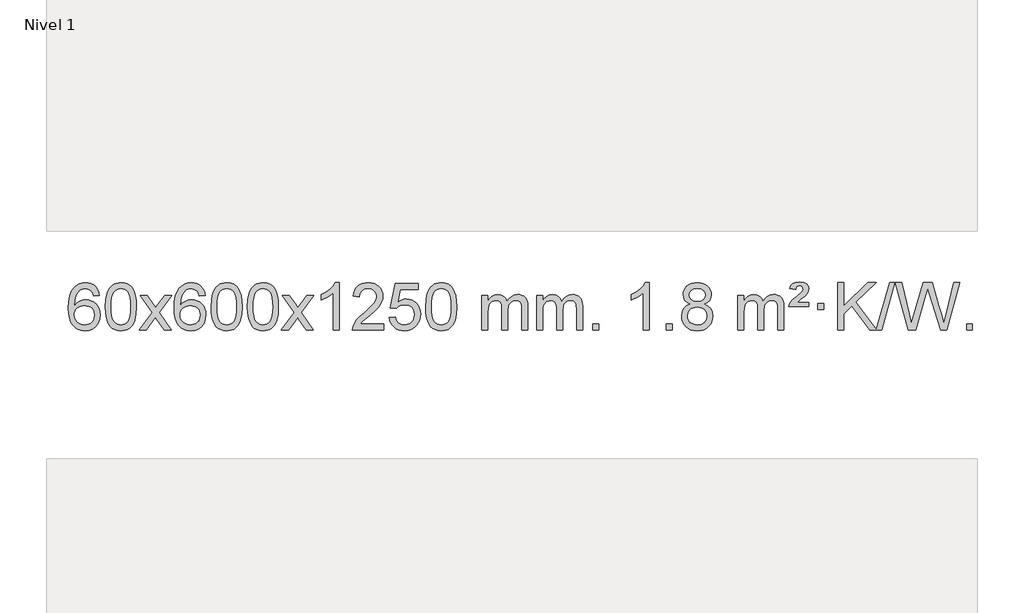
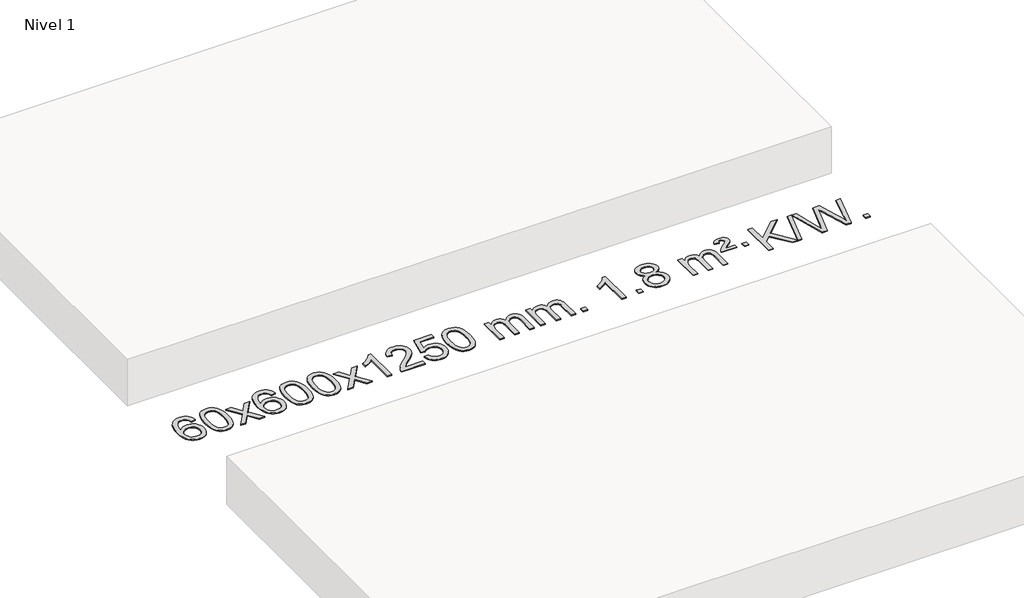
# One storey, part 7 of 7: 1 proxy.
"""IFC4 building model written with IfcOpenShell, lengths in millimetres."""

from ifc_helpers import new_model, si_unit, origin, origin_with_axes, place, context, project, spatial, polyline, outline, extrude, element, save

model = new_model("IFC4")

# Units and contexts
model_context = context("Model", 3, world=origin())
ifc_project = project(units=[si_unit("LENGTHUNIT", "METRE", prefix="MILLI")], contexts=[model_context])

# Site, building, storey
site = spatial("IfcSite", under=ifc_project)
building = spatial("IfcBuilding", under=site)
storey = spatial("IfcBuildingStorey", under=building, Name="Nivel 1", Elevation=0.0)

# Proxy
placement = place(None, origin())
element("IfcBuildingElementProxy", 1, Name="Texto de modelo 1", ObjectType="Texto de modelo 1", at=placement, inside=storey, context=model_context, shape_type="SweptSolid", body=[
    extrude(outline(polyline([(-12868.7310862, -289.5264458), (-12918.9592412, -295.8049652), (-12927.0526451, -270.9116168), (-12937.9910031, -253.9154687), (-12960.7751614, -238.2436957), (-12988.3172601, -233.0197713), (-13011.665504, -236.0609292), (-13033.6403219, -245.1844027), (-13052.5126682, -264.4001055), (-13067.9269238, -290.850821), (-13078.3379843, -328.2644199), (-13082.2007452, -380.3687731), (-13062.0530746, -356.8611137), (-13037.907753, -340.2941611), (-13011.113681, -330.4717119), (-12983.0197593, -327.1975621), (-12958.8867005, -329.4355109), (-12936.617577, -336.1493573), (-12916.212389, -347.3391013), (-12897.6711365, -363.004743), (-12882.2630122, -382.2143145), (-12871.2572092, -404.0358482), (-12864.6537274, -428.469344), (-12862.4525668, -455.514802), (-12866.5973706, -491.4813984), (-12879.031782, -524.8237699), (-12898.7257315, -553.1016326), (-12924.6491494, -573.8747026), (-12955.6248134, -586.6402078), (-12990.4755011, -590.8953763), (-13020.4180298, -588.0749476), (-13047.4604222, -579.6136617), (-13071.6026781, -565.5115186), (-13092.8447976, -545.7685182), (-13110.1628426, -519.5507947), (-13122.5328746, -486.0244822), (-13129.9548939, -445.1895807), (-13132.4289003, -397.0460903), (-13129.6820481, -343.0716702), (-13121.4414914, -297.006713), (-13107.7072302, -258.8512188), (-13088.4792646, -228.6051874), (-13067.6387496, -208.56175), (-13043.4750339, -194.2450091), (-13015.9881175, -185.6549645), (-12985.1780004, -182.7916163), (-12962.0443542, -184.5635812), (-12941.1057374, -189.879476), (-12922.3621497, -198.7393008), (-12905.8135913, -211.1430554), (-12891.9076519, -226.6738069), (-12881.0919212, -244.9146225), (-12873.3663993, -265.8655021), (-12868.7310862, -289.5264458)]), holes=[polyline([(-13082.2007452, -454.7299871), (-13079.2944775, -476.9868478), (-13070.5756742, -498.2381644), (-13057.0376168, -516.5096368), (-13039.6735866, -529.8269651), (-13018.7165756, -537.9571571), (-12994.3995757, -540.6672212), (-12961.253408, -535.0508894), (-12947.3382715, -528.0304746), (-12935.1951, -518.201894), (-12925.3450595, -505.9636863), (-12918.3093164, -491.7143904), (-12912.6807219, -457.1825337), (-12918.23574, -424.036366), (-12925.1795126, -410.4155351), (-12934.9007944, -398.7628729), (-12947.0807541, -389.4278673), (-12961.4005608, -382.7600061), (-12996.4597149, -377.4257172), (-13029.5568317, -382.7600061), (-13057.2338205, -398.7628729), (-13068.1568501, -410.2622509), (-13075.9590141, -423.4232293), (-13080.6403124, -438.245808), (-13082.2007452, -454.7299871)])]), origin_with_axes(), (0.0, 0.0, 1.0), 10.0),
    extrude(outline(polyline([(-12818.5029311, -386.9415981), (-12814.8118484, -322.6235626), (-12803.7386004, -271.3285498), (-12785.3935515, -232.2717446), (-12773.5354886, -217.0383643), (-12759.8870665, -204.6683323), (-12744.4023002, -195.097269), (-12727.0352044, -188.2607953), (-12686.654024, -182.7916163), (-12655.7028855, -186.0289778), (-12627.9891085, -195.7410625), (-12604.8125428, -211.5477256), (-12587.4730381, -233.0688223), (-12574.3764391, -260.1204117), (-12563.9285904, -292.5185527), (-12557.0859853, -333.6600225), (-12554.805117, -386.9415981), (-12558.4594114, -450.8917516), (-12569.4222949, -502.0641372), (-12587.6569791, -541.1577305), (-12599.487451, -556.437096), (-12613.1266759, -568.8715075), (-12628.6298363, -578.5069501), (-12646.0521145, -585.3894091), (-12686.654024, -590.8953763), (-12714.3187501, -588.5041433), (-12738.8442164, -581.3304444), (-12760.2304231, -569.3742795), (-12778.47737, -552.6356488), (-12795.988553, -522.3773547), (-12808.4965408, -484.6755815), (-12816.0013335, -439.5303293), (-12818.5029311, -386.9415981)]), holes=[polyline([(-12768.274776, -386.8434963), (-12766.803248, -430.5080234), (-12762.3886641, -465.8522861), (-12755.0310242, -492.8762843), (-12744.7303283, -511.5800181), (-12732.2713914, -524.3056694), (-12718.4390284, -533.3954204), (-12703.2332393, -538.849271), (-12686.654024, -540.6672212), (-12670.0748088, -538.8431396), (-12654.8690196, -533.3708949), (-12641.0366566, -524.2504871), (-12628.5777197, -511.4819162), (-12618.2770239, -492.7475256), (-12610.919384, -465.7296588), (-12606.5048, -430.4283156), (-12605.033272, -386.8434963), (-12606.4557491, -344.3347317), (-12610.7231802, -309.6128027), (-12617.8355655, -282.6777093), (-12627.7929048, -263.5294515), (-12640.0433752, -250.1814664), (-12654.0351538, -240.6471914), (-12669.7682404, -234.9266264), (-12687.2426352, -233.0197713), (-12703.7360113, -234.6997658), (-12718.6842831, -239.7397491), (-12732.0874504, -248.1397213), (-12743.9455134, -259.8996825), (-12754.5895658, -280.7463289), (-12762.1924604, -308.8525133), (-12766.7541971, -344.2182358), (-12768.274776, -386.8434963)])]), origin_with_axes(), (0.0, 0.0, 1.0), 10.0),
    extrude(outline(polyline([(-12529.6910394, -584.6168569), (-12422.3675987, -436.2868364), (-12523.41252, -289.5264458), (-12462.981771, -289.5264458), (-12414.2251439, -360.1597889), (-12391.4655111, -393.5144231), (-12371.7470362, -366.2421045), (-12316.2213804, -289.5264458), (-12255.7906313, -289.5264458), (-12361.9368496, -436.2868364), (-12259.7147059, -584.6168569), (-12320.145455, -584.6168569), (-12381.6553246, -495.4422612), (-12392.9370391, -479.1573516), (-12469.2602903, -584.6168569), (-12529.6910394, -584.6168569)])), origin_with_axes(), (0.0, 0.0, 1.0), 10.0),
    extrude(outline(polyline([(-11970.9028142, -289.5264458), (-12021.1309693, -295.8049652), (-12029.2243732, -270.9116168), (-12040.1627312, -253.9154687), (-12062.9468894, -238.2436957), (-12090.4889881, -233.0197713), (-12113.8372321, -236.0609292), (-12135.8120499, -245.1844027), (-12154.6843963, -264.4001055), (-12170.0986519, -290.850821), (-12180.5097123, -328.2644199), (-12184.3724733, -380.3687731), (-12164.2248027, -356.8611137), (-12140.0794811, -340.2941611), (-12113.2854091, -330.4717119), (-12085.1914874, -327.1975621), (-12061.0584285, -329.4355109), (-12038.7893051, -336.1493573), (-12018.3841171, -347.3391013), (-11999.8428645, -363.004743), (-11984.4347403, -382.2143145), (-11973.4289372, -404.0358482), (-11966.8254554, -428.469344), (-11964.6242948, -455.514802), (-11968.7690986, -491.4813984), (-11981.2035101, -524.8237699), (-12000.8974596, -553.1016326), (-12026.8208775, -573.8747026), (-12057.7965415, -586.6402078), (-12092.6472291, -590.8953763), (-12122.5897579, -588.0749476), (-12149.6321502, -579.6136617), (-12173.7744061, -565.5115186), (-12195.0165257, -545.7685182), (-12212.3345706, -519.5507947), (-12224.7046027, -486.0244822), (-12232.1266219, -445.1895807), (-12234.6006284, -397.0460903), (-12231.8537761, -343.0716702), (-12223.6132194, -297.006713), (-12209.8789583, -258.8512188), (-12190.6509927, -228.6051874), (-12169.8104776, -208.56175), (-12145.6467619, -194.2450091), (-12118.1598455, -185.6549645), (-12087.3497284, -182.7916163), (-12064.2160823, -184.5635812), (-12043.2774654, -189.879476), (-12024.5338777, -198.7393008), (-12007.9853193, -211.1430554), (-11994.0793799, -226.6738069), (-11983.2636492, -244.9146225), (-11975.5381274, -265.8655021), (-11970.9028142, -289.5264458)]), holes=[polyline([(-12184.3724733, -454.7299871), (-12181.4662055, -476.9868478), (-12172.7474022, -498.2381644), (-12159.2093448, -516.5096368), (-12141.8453146, -529.8269651), (-12120.8883036, -537.9571571), (-12096.5713038, -540.6672212), (-12063.425136, -535.0508894), (-12049.5099995, -528.0304746), (-12037.366828, -518.201894), (-12027.5167876, -505.9636863), (-12020.4810444, -491.7143904), (-12014.8524499, -457.1825337), (-12020.407468, -424.036366), (-12027.3512407, -410.4155351), (-12037.0725224, -398.7628729), (-12049.2524821, -389.4278673), (-12063.5722888, -382.7600061), (-12098.6314429, -377.4257172), (-12131.7285598, -382.7600061), (-12159.4055485, -398.7628729), (-12170.3285781, -410.2622509), (-12178.1307421, -423.4232293), (-12182.8120405, -438.245808), (-12184.3724733, -454.7299871)])]), origin_with_axes(), (0.0, 0.0, 1.0), 10.0),
    extrude(outline(polyline([(-11920.6746591, -386.9415981), (-11916.9835765, -322.6235626), (-11905.9103284, -271.3285498), (-11887.5652796, -232.2717446), (-11875.7072166, -217.0383643), (-11862.0587946, -204.6683323), (-11846.5740283, -195.097269), (-11829.2069324, -188.2607953), (-11788.8257521, -182.7916163), (-11757.8746135, -186.0289778), (-11730.1608366, -195.7410625), (-11706.9842709, -211.5477256), (-11689.6447662, -233.0688223), (-11676.5481671, -260.1204117), (-11666.1003185, -292.5185527), (-11659.2577134, -333.6600225), (-11656.976845, -386.9415981), (-11660.6311395, -450.8917516), (-11671.5940229, -502.0641372), (-11689.8287072, -541.1577305), (-11701.659179, -556.437096), (-11715.298404, -568.8715075), (-11730.8015644, -578.5069501), (-11748.2238425, -585.3894091), (-11788.8257521, -590.8953763), (-11816.4904781, -588.5041433), (-11841.0159444, -581.3304444), (-11862.4021511, -569.3742795), (-11880.6490981, -552.6356488), (-11898.160281, -522.3773547), (-11910.6682689, -484.6755815), (-11918.1730616, -439.5303293), (-11920.6746591, -386.9415981)]), holes=[polyline([(-11870.4465041, -386.8434963), (-11868.9749761, -430.5080234), (-11864.5603921, -465.8522861), (-11857.2027522, -492.8762843), (-11846.9020564, -511.5800181), (-11834.4431195, -524.3056694), (-11820.6107564, -533.3954204), (-11805.4049673, -538.849271), (-11788.8257521, -540.6672212), (-11772.2465368, -538.8431396), (-11757.0407477, -533.3708949), (-11743.2083847, -524.2504871), (-11730.7494478, -511.4819162), (-11720.4487519, -492.7475256), (-11713.091112, -465.7296588), (-11708.676528, -430.4283156), (-11707.2050001, -386.8434963), (-11708.6274771, -344.3347317), (-11712.8949083, -309.6128027), (-11720.0072935, -282.6777093), (-11729.9646328, -263.5294515), (-11742.2151033, -250.1814664), (-11756.2068818, -240.6471914), (-11771.9399685, -234.9266264), (-11789.4143633, -233.0197713), (-11805.9077394, -234.6997658), (-11820.8560111, -239.7397491), (-11834.2591785, -248.1397213), (-11846.1172414, -259.8996825), (-11856.7612938, -280.7463289), (-11864.3641884, -308.8525133), (-11868.9259251, -344.2182358), (-11870.4465041, -386.8434963)])]), origin_with_axes(), (0.0, 0.0, 1.0), 10.0),
    extrude(outline(polyline([(-11613.0272093, -386.9415981), (-11609.3361266, -322.6235626), (-11598.2628786, -271.3285498), (-11579.9178297, -232.2717446), (-11568.0597668, -217.0383643), (-11554.4113447, -204.6683323), (-11538.9265784, -195.097269), (-11521.5594826, -188.2607953), (-11481.1783022, -182.7916163), (-11450.2271637, -186.0289778), (-11422.5133867, -195.7410625), (-11399.336821, -211.5477256), (-11381.9973163, -233.0688223), (-11368.9007173, -260.1204117), (-11358.4528686, -292.5185527), (-11351.6102635, -333.6600225), (-11349.3293952, -386.9415981), (-11352.9836896, -450.8917516), (-11363.9465731, -502.0641372), (-11382.1812573, -541.1577305), (-11394.0117292, -556.437096), (-11407.6509541, -568.8715075), (-11423.1541145, -578.5069501), (-11440.5763927, -585.3894091), (-11481.1783022, -590.8953763), (-11508.8430283, -588.5041433), (-11533.3684946, -581.3304444), (-11554.7547013, -569.3742795), (-11573.0016482, -552.6356488), (-11590.5128312, -522.3773547), (-11603.020819, -484.6755815), (-11610.5256117, -439.5303293), (-11613.0272093, -386.9415981)]), holes=[polyline([(-11562.7990542, -386.8434963), (-11561.3275262, -430.5080234), (-11556.9129423, -465.8522861), (-11549.5553024, -492.8762843), (-11539.2546065, -511.5800181), (-11526.7956696, -524.3056694), (-11512.9633066, -533.3954204), (-11497.7575175, -538.849271), (-11481.1783022, -540.6672212), (-11464.599087, -538.8431396), (-11449.3932978, -533.3708949), (-11435.5609348, -524.2504871), (-11423.1019979, -511.4819162), (-11412.8013021, -492.7475256), (-11405.4436622, -465.7296588), (-11401.0290782, -430.4283156), (-11399.5575502, -386.8434963), (-11400.9800273, -344.3347317), (-11405.2474584, -309.6128027), (-11412.3598437, -282.6777093), (-11422.317183, -263.5294515), (-11434.5676534, -250.1814664), (-11448.559432, -240.6471914), (-11464.2925187, -234.9266264), (-11481.7669134, -233.0197713), (-11498.2602895, -234.6997658), (-11513.2085613, -239.7397491), (-11526.6117286, -248.1397213), (-11538.4697916, -259.8996825), (-11549.113844, -280.7463289), (-11556.7167386, -308.8525133), (-11561.2784753, -344.2182358), (-11562.7990542, -386.8434963)])]), origin_with_axes(), (0.0, 0.0, 1.0), 10.0),
    extrude(outline(polyline([(-11324.2153176, -584.6168569), (-11216.8918769, -436.2868364), (-11317.9367982, -289.5264458), (-11257.5060492, -289.5264458), (-11208.7494221, -360.1597889), (-11185.9897893, -393.5144231), (-11166.2713144, -366.2421045), (-11110.7456586, -289.5264458), (-11050.3149095, -289.5264458), (-11156.4611278, -436.2868364), (-11054.2389841, -584.6168569), (-11114.6697332, -584.6168569), (-11176.1796028, -495.4422612), (-11187.4613173, -479.1573516), (-11263.7845685, -584.6168569), (-11324.2153176, -584.6168569)])), origin_with_axes(), (0.0, 0.0, 1.0), 10.0),
    extrude(outline(polyline([(-10834.4908056, -584.6168569), (-10884.7189607, -584.6168569), (-10884.7189607, -271.4757026), (-10905.6882344, -288.4350626), (-10932.2983654, -305.3698971), (-10985.1752709, -330.7292293), (-10985.1752709, -283.2479264), (-10945.7260583, -261.7881434), (-10911.5498209, -236.2571329), (-10884.6085961, -209.1074417), (-10866.8644212, -182.7916163), (-10834.4908056, -182.7916163), (-10834.4908056, -584.6168569)])), origin_with_axes(), (0.0, 0.0, 1.0), 10.0),
    extrude(outline(polyline([(-10457.7796426, -534.3887018), (-10457.7796426, -584.6168569), (-10721.4774567, -584.6168569), (-10720.3738107, -566.9339956), (-10716.0818541, -549.9868984), (-10703.6964936, -522.9230463), (-10685.572174, -496.6685346), (-10659.3544505, -469.1877495), (-10622.6888783, -438.4450775), (-10568.4875977, -390.301587), (-10535.9668293, -354.7641863), (-10519.7064451, -325.9222379), (-10514.286317, -297.8651044), (-10519.3998768, -272.7142386), (-10534.740556, -251.8062786), (-10558.3217919, -237.7163982), (-10588.1570217, -233.0197713), (-10619.4883049, -237.6060336), (-10643.8298303, -251.3648202), (-10659.5383915, -273.2170107), (-10664.9707823, -302.0834846), (-10715.1989373, -295.8049652), (-10710.8793896, -269.8754159), (-10703.0220433, -247.2200164), (-10691.6268985, -227.8387666), (-10676.6939552, -211.7316666), (-10658.5665699, -199.0703946), (-10637.5880991, -190.0266288), (-10613.7585429, -184.6003694), (-10587.0779012, -182.7916163), (-10560.1581362, -184.8027045), (-10536.1998212, -190.8359692), (-10515.2029563, -200.8914104), (-10497.1675415, -214.9690281), (-10482.682188, -232.02649), (-10472.3355069, -251.0214636), (-10466.1274982, -271.9539492), (-10464.058162, -294.8239465), (-10466.2899794, -318.8466408), (-10472.9854317, -342.4524022), (-10484.8680202, -366.4628337), (-10502.661246, -391.6995386), (-10531.0249478, -421.829074), (-10574.6189643, -460.5179972), (-10632.400963, -508.8331659), (-10655.0624939, -534.3887018), (-10457.7796426, -534.3887018)])), origin_with_axes(), (0.0, 0.0, 1.0), 10.0),
    extrude(outline(polyline([(-10407.5514875, -477.8820273), (-10357.3233324, -471.603508), (-10348.1017571, -501.7575688), (-10332.0130512, -523.3522419), (-10309.1307911, -536.3384764), (-10279.5285532, -540.6672212), (-10260.3986894, -539.1619707), (-10243.5251686, -534.6462192), (-10228.9079907, -527.1199667), (-10216.5471556, -516.5832132), (-10206.718575, -503.5571249), (-10199.6981602, -488.5628679), (-10194.0818284, -452.6698479), (-10199.342541, -418.8737553), (-10205.9184316, -404.9555532), (-10215.1246786, -393.0239138), (-10226.9919386, -383.4528505), (-10241.5508686, -376.6163768), (-10278.7437383, -371.1471978), (-10303.1097891, -373.3299643), (-10322.8405268, -379.8782638), (-10338.5981389, -389.9091796), (-10351.044813, -402.5397947), (-10401.2729681, -396.2612753), (-10357.3233324, -189.0701357), (-10162.6892315, -189.0701357), (-10162.6892315, -239.2982907), (-10316.7091602, -239.2982907), (-10338.1934687, -349.9571949), (-10320.4676879, -337.2530033), (-10302.3127114, -328.1785808), (-10283.7285393, -322.7339272), (-10264.7151715, -320.9190427), (-10240.2540845, -323.1692543), (-10217.7856917, -329.9198889), (-10197.3099929, -341.1709466), (-10178.8269884, -356.9224273), (-10163.5261631, -376.2117066), (-10152.5970021, -398.0761598), (-10146.0395056, -422.5157871), (-10143.8536734, -449.5305882), (-10145.821842, -475.552108), (-10151.7263481, -499.7587433), (-10161.5671914, -522.1504941), (-10175.3443722, -542.7273604), (-10196.215544, -563.8008673), (-10220.5693321, -578.8533723), (-10248.4057364, -587.8848753), (-10279.7247569, -590.8953763), (-10305.6451092, -588.9609301), (-10329.0577325, -583.1575916), (-10349.9626268, -573.4853608), (-10368.3597923, -559.9442377), (-10383.666749, -543.2086726), (-10395.3010171, -523.9531159), (-10403.2625966, -502.1775674), (-10407.5514875, -477.8820273)])), origin_with_axes(), (0.0, 0.0, 1.0), 10.0),
    extrude(outline(polyline([(-10099.9040377, -386.9415981), (-10096.212955, -322.6235626), (-10085.1397069, -271.3285498), (-10066.7946581, -232.2717446), (-10054.9365951, -217.0383643), (-10041.2881731, -204.6683323), (-10025.8034068, -195.097269), (-10008.4363109, -188.2607953), (-9968.0551306, -182.7916163), (-9937.1039921, -186.0289778), (-9909.3902151, -195.7410625), (-9886.2136494, -211.5477256), (-9868.8741447, -233.0688223), (-9855.7775457, -260.1204117), (-9845.329697, -292.5185527), (-9838.4870919, -333.6600225), (-9836.2062235, -386.9415981), (-9839.860518, -450.8917516), (-9850.8234015, -502.0641372), (-9869.0580857, -541.1577305), (-9880.8885575, -556.437096), (-9894.5277825, -568.8715075), (-9910.0309429, -578.5069501), (-9927.4532211, -585.3894091), (-9968.0551306, -590.8953763), (-9995.7198566, -588.5041433), (-10020.245323, -581.3304444), (-10041.6315296, -569.3742795), (-10059.8784766, -552.6356488), (-10077.3896596, -522.3773547), (-10089.8976474, -484.6755815), (-10097.4024401, -439.5303293), (-10099.9040377, -386.9415981)]), holes=[polyline([(-10049.6758826, -386.8434963), (-10048.2043546, -430.5080234), (-10043.7897707, -465.8522861), (-10036.4321308, -492.8762843), (-10026.1314349, -511.5800181), (-10013.672498, -524.3056694), (-9999.840135, -533.3954204), (-9984.6343459, -538.849271), (-9968.0551306, -540.6672212), (-9951.4759154, -538.8431396), (-9936.2701262, -533.3708949), (-9922.4377632, -524.2504871), (-9909.9788263, -511.4819162), (-9899.6781304, -492.7475256), (-9892.3204905, -465.7296588), (-9887.9059066, -430.4283156), (-9886.4343786, -386.8434963), (-9887.8568557, -344.3347317), (-9892.1242868, -309.6128027), (-9899.236672, -282.6777093), (-9909.1940114, -263.5294515), (-9921.4444818, -250.1814664), (-9935.4362604, -240.6471914), (-9951.169347, -234.9266264), (-9968.6437418, -233.0197713), (-9985.1371179, -234.6997658), (-10000.0853897, -239.7397491), (-10013.488557, -248.1397213), (-10025.34662, -259.8996825), (-10035.9906724, -280.7463289), (-10043.5935669, -308.8525133), (-10048.1553037, -344.2182358), (-10049.6758826, -386.8434963)])]), origin_with_axes(), (0.0, 0.0, 1.0), 10.0),
    extrude(outline(polyline([(-9622.7365645, -584.6168569), (-9622.7365645, -289.5264458), (-9572.5084094, -289.5264458), (-9572.5084094, -338.0868692), (-9557.4007221, -315.7809575), (-9537.9765528, -298.3065628), (-9514.8980889, -287.0125855), (-9488.8275182, -283.2479264), (-9460.8930121, -287.0861619), (-9438.5012613, -298.6008684), (-9421.7748932, -317.0317563), (-9410.8365352, -341.6185363), (-9392.5282746, -316.0813945), (-9371.64484, -297.8405789), (-9348.1862315, -286.8960895), (-9322.1524489, -283.2479264), (-9302.0446322, -284.7654397), (-9284.3954935, -289.3179793), (-9269.2050328, -296.9055455), (-9256.4732501, -307.5281381), (-9246.4086118, -321.3083845), (-9239.2195845, -338.368912), (-9234.9061681, -358.7097207), (-9233.4683626, -382.3308105), (-9233.4683626, -584.6168569), (-9283.6965177, -584.6168569), (-9283.6965177, -403.9132208), (-9284.8614774, -378.860457), (-9288.3563563, -361.9746734), (-9294.9046558, -350.410916), (-9305.2298772, -341.3242307), (-9318.5104172, -335.4381188), (-9333.9246728, -333.4760815), (-9361.1356777, -338.5038021), (-9383.318962, -353.5869639), (-9391.924335, -365.1568526), (-9398.07103, -379.7556365), (-9402.988386, -418.0398895), (-9402.988386, -584.6168569), (-9453.2165411, -584.6168569), (-9453.2165411, -398.3214145), (-9456.1228088, -369.9209245), (-9464.8416121, -349.6628893), (-9480.1822913, -337.5227834), (-9502.9541868, -333.4760815), (-9522.3047798, -336.1738828), (-9540.1347938, -344.2672867), (-9554.8500736, -357.5600894), (-9564.8564639, -375.8560873), (-9570.595423, -401.239945), (-9572.5084094, -435.7963271), (-9572.5084094, -584.6168569), (-9622.7365645, -584.6168569)])), origin_with_axes(), (0.0, 0.0, 1.0), 10.0),
    extrude(outline(polyline([(-9158.12613, -584.6168569), (-9158.12613, -289.5264458), (-9107.8979749, -289.5264458), (-9107.8979749, -338.0868692), (-9092.7902877, -315.7809575), (-9073.3661183, -298.3065628), (-9050.2876545, -287.0125855), (-9024.2170838, -283.2479264), (-8996.2825776, -287.0861619), (-8973.8908268, -298.6008684), (-8957.1644588, -317.0317563), (-8946.2261008, -341.6185363), (-8927.9178402, -316.0813945), (-8907.0344056, -297.8405789), (-8883.575797, -286.8960895), (-8857.5420145, -283.2479264), (-8837.4341978, -284.7654397), (-8819.7850591, -289.3179793), (-8804.5945983, -296.9055455), (-8791.8628156, -307.5281381), (-8781.7981774, -321.3083845), (-8774.6091501, -338.368912), (-8770.2957337, -358.7097207), (-8768.8579282, -382.3308105), (-8768.8579282, -584.6168569), (-8819.0860833, -584.6168569), (-8819.0860833, -403.9132208), (-8820.2510429, -378.860457), (-8823.7459219, -361.9746734), (-8830.2942214, -350.410916), (-8840.6194427, -341.3242307), (-8853.8999827, -335.4381188), (-8869.3142383, -333.4760815), (-8896.5252433, -338.5038021), (-8918.7085276, -353.5869639), (-8927.3139006, -365.1568526), (-8933.4605956, -379.7556365), (-8938.3779516, -418.0398895), (-8938.3779516, -584.6168569), (-8988.6061066, -584.6168569), (-8988.6061066, -398.3214145), (-8991.5123744, -369.9209245), (-9000.2311777, -349.6628893), (-9015.5718569, -337.5227834), (-9038.3437524, -333.4760815), (-9057.6943453, -336.1738828), (-9075.5243594, -344.2672867), (-9090.2396392, -357.5600894), (-9100.2460294, -375.8560873), (-9105.9849886, -401.239945), (-9107.8979749, -435.7963271), (-9107.8979749, -584.6168569), (-9158.12613, -584.6168569)])), origin_with_axes(), (0.0, 0.0, 1.0), 10.0),
    extrude(outline(polyline([(-8680.9586568, -584.6168569), (-8680.9586568, -534.3887018), (-8630.7305017, -534.3887018), (-8630.7305017, -584.6168569), (-8680.9586568, -584.6168569)])), origin_with_axes(), (0.0, 0.0, 1.0), 10.0),
    extrude(outline(polyline([(-8203.7911836, -584.6168569), (-8254.0193387, -584.6168569), (-8254.0193387, -271.4757026), (-8274.9886124, -288.4350626), (-8301.5987434, -305.3698971), (-8354.4756488, -330.7292293), (-8354.4756488, -283.2479264), (-8315.0264362, -261.7881434), (-8280.8501989, -236.2571329), (-8253.9089741, -209.1074417), (-8236.1647992, -182.7916163), (-8203.7911836, -182.7916163), (-8203.7911836, -584.6168569)])), origin_with_axes(), (0.0, 0.0, 1.0), 10.0),
    extrude(outline(polyline([(-8059.3852378, -584.6168569), (-8059.3852378, -534.3887018), (-8009.1570827, -534.3887018), (-8009.1570827, -584.6168569), (-8059.3852378, -584.6168569)])), origin_with_axes(), (0.0, 0.0, 1.0), 10.0),
    extrude(outline(polyline([(-7854.3523391, -363.2990486), (-7881.244513, -350.0552967), (-7900.1168593, -332.1026554), (-7911.2636838, -309.8090065), (-7914.9792919, -283.542232), (-7912.9559409, -263.0573363), (-7906.885888, -244.2769604), (-7896.7691332, -227.2011045), (-7882.6056763, -211.8297684), (-7865.0760993, -199.1255769), (-7844.8609836, -190.0511543), (-7821.9603294, -184.6065008), (-7796.3741367, -182.7916163), (-7770.6653166, -184.6494203), (-7747.5929841, -190.2228326), (-7727.1571393, -199.511853), (-7709.3577821, -212.5164815), (-7694.9368079, -228.1882545), (-7684.636112, -245.4787082), (-7678.4556945, -264.3878428), (-7676.3955553, -284.9156581), (-7680.0621125, -310.336304), (-7691.0617842, -332.2498082), (-7709.5171976, -350.0920849), (-7735.5509801, -363.2990486), (-7704.6366298, -379.228339), (-7682.1345144, -402.6869475), (-7668.412516, -432.5467028), (-7663.8385165, -467.6794333), (-7666.1071222, -492.7321972), (-7672.9129391, -515.7002964), (-7684.2559673, -536.583731), (-7700.1362067, -555.382501), (-7719.7197916, -570.9193839), (-7742.1728561, -582.0171574), (-7767.4954001, -588.6758215), (-7795.6874236, -590.8953763), (-7823.8794472, -588.6666245), (-7849.2019912, -581.9803692), (-7871.6550556, -570.8366105), (-7891.2386405, -555.2353482), (-7907.11888, -536.3047539), (-7918.4619081, -515.1729989), (-7925.2677251, -491.8400834), (-7927.5363307, -466.3060072), (-7922.7783902, -429.8121133), (-7908.5045688, -399.7929425), (-7885.4506304, -377.2785644), (-7854.3523391, -363.2990486)]), holes=[polyline([(-7877.3081756, -464.5401736), (-7875.2112482, -483.7558765), (-7868.9204661, -502.3584427), (-7857.3076578, -518.5820387), (-7839.2446518, -530.6608309), (-7817.6131905, -538.1656236), (-7795.2950162, -540.6672212), (-7761.1065161, -535.4065086), (-7747.2128394, -528.830618), (-7735.4528783, -519.6243711), (-7719.4132233, -495.7243041), (-7714.0666716, -466.1098035), (-7719.5849015, -435.9925308), (-7736.1395913, -411.5651663), (-7748.2183835, -402.1228618), (-7762.3818403, -395.3783586), (-7796.9627479, -389.982756), (-7830.6730014, -395.3047822), (-7844.4103282, -401.9573149), (-7856.0691218, -411.2708607), (-7871.9984122, -435.2322414), (-7877.3081756, -464.5401736)]), polyline([(-7864.7511368, -285.01376), (-7860.2997647, -306.9395269), (-7846.9456483, -324.4507099), (-7825.081195, -335.9286281), (-7795.0988124, -339.7546009), (-7765.8154056, -335.9531536), (-7744.2820462, -324.5488117), (-7731.0382943, -307.62624), (-7726.6237104, -287.2701029), (-7731.1854471, -266.1414136), (-7744.8706574, -248.6670189), (-7766.6983224, -236.9315832), (-7795.6874236, -233.0197713), (-7824.8604658, -236.8457441), (-7846.6513427, -248.3236623), (-7860.2261883, -265.1481323), (-7864.7511368, -285.01376)])]), origin_with_axes(), (0.0, 0.0, 1.0), 10.0),
    extrude(outline(polyline([(-7450.3688575, -584.6168569), (-7450.3688575, -289.5264458), (-7400.1407024, -289.5264458), (-7400.1407024, -338.0868692), (-7385.0330151, -315.7809575), (-7365.6088458, -298.3065628), (-7342.530382, -287.0125855), (-7316.4598112, -283.2479264), (-7288.5253051, -287.0861619), (-7266.1335543, -298.6008684), (-7249.4071862, -317.0317563), (-7238.4688283, -341.6185363), (-7220.1605676, -316.0813945), (-7199.277133, -297.8405789), (-7175.8185245, -286.8960895), (-7149.784742, -283.2479264), (-7129.6769252, -284.7654397), (-7112.0277865, -289.3179793), (-7096.8373258, -296.9055455), (-7084.1055431, -307.5281381), (-7074.0409048, -321.3083845), (-7066.8518775, -338.368912), (-7062.5384611, -358.7097207), (-7061.1006556, -382.3308105), (-7061.1006556, -584.6168569), (-7111.3288107, -584.6168569), (-7111.3288107, -403.9132208), (-7112.4937704, -378.860457), (-7115.9886493, -361.9746734), (-7122.5369488, -350.410916), (-7132.8621702, -341.3242307), (-7146.1427102, -335.4381188), (-7161.5569658, -333.4760815), (-7188.7679707, -338.5038021), (-7210.951255, -353.5869639), (-7219.556628, -365.1568526), (-7225.703323, -379.7556365), (-7230.620679, -418.0398895), (-7230.620679, -584.6168569), (-7280.8488341, -584.6168569), (-7280.8488341, -398.3214145), (-7283.7551019, -369.9209245), (-7292.4739051, -349.6628893), (-7307.8145843, -337.5227834), (-7330.5864798, -333.4760815), (-7349.9370728, -336.1738828), (-7367.7670868, -344.2672867), (-7382.4823666, -357.5600894), (-7392.4887569, -375.8560873), (-7398.227716, -401.239945), (-7400.1407024, -435.7963271), (-7400.1407024, -584.6168569), (-7450.3688575, -584.6168569)])), origin_with_axes(), (0.0, 0.0, 1.0), 10.0),
    extrude(outline(polyline([(-7017.15102, -383.7042366), (-7013.3250472, -367.8853108), (-7004.9863887, -352.0173341), (-6983.4775547, -326.878731), (-6951.520872, -299.1404286), (-6907.3750326, -261.7636179), (-6900.2381219, -250.2366487), (-6897.8591517, -238.4153739), (-6899.7476126, -226.324319), (-6905.4129953, -216.538658), (-6914.7817234, -210.0639348), (-6927.7802206, -207.9056938), (-6940.214632, -209.5243746), (-6949.0683254, -214.3804169), (-6955.4939976, -223.8472469), (-6960.6443455, -239.2982907), (-7010.8725006, -233.0197713), (-7000.0322444, -207.8075919), (-6983.4039783, -190.247358), (-6959.6388014, -179.9466622), (-6927.3878131, -176.5130969), (-6891.6051577, -180.645638), (-6866.8589622, -193.0432612), (-6852.437988, -211.3760473), (-6847.6309966, -233.3140769), (-6851.7267495, -256.2208625), (-6864.0140081, -277.8523238), (-6884.5418234, -297.6689006), (-6921.0111919, -325.7260341), (-6946.6157788, -352.3116396), (-6847.6309966, -352.3116396), (-6847.6309966, -383.7042366), (-7017.15102, -383.7042366)])), origin_with_axes(), (0.0, 0.0, 1.0), 10.0),
    extrude(outline(polyline([(-6772.288764, -408.8183141), (-6772.288764, -358.590159), (-6722.0606089, -358.590159), (-6722.0606089, -408.8183141), (-6772.288764, -408.8183141)])), origin_with_axes(), (0.0, 0.0, 1.0), 10.0),
    extrude(outline(polyline([(-6331.4189809, -584.6168569), (-6484.8502984, -381.938403), (-6552.5405855, -446.4894304), (-6552.5405855, -584.6168569), (-6602.7687406, -584.6168569), (-6602.7687406, -182.7916163), (-6552.5405855, -182.7916163), (-6552.5405855, -379.4858564), (-6346.5266682, -182.7916163), (-6276.2857326, -182.7916163), (-6449.2393213, -347.9951576), (-6274.5857114, -578.5723371), (-6163.2723837, -182.7916163), (-6117.9493219, -182.7916163), (-6230.9626708, -584.6168569), (-6270.0072132, -584.6168569), (-6276.2857326, -584.6168569), (-6331.4189809, -584.6168569)])), origin_with_axes(), (0.0, 0.0, 1.0), 10.0),
    extrude(outline(polyline([(-6003.464445, -584.6168569), (-6113.0442286, -182.7916163), (-6061.2464437, -182.7916163), (-5997.6764349, -446.8818379), (-5978.0560618, -528.404488), (-5957.0622627, -456.299617), (-5877.403548, -182.7916163), (-5802.7480284, -182.7916163), (-5744.8679278, -381.0554862), (-5720.0726814, -454.6318852), (-5701.8012089, -528.404488), (-5682.7694471, -449.2362826), (-5618.6108271, -182.7916163), (-5566.8130422, -182.7916163), (-5676.4909277, -584.6168569), (-5730.152648, -584.6168569), (-5826.4886798, -274.6149623), (-5839.9286354, -231.3520396), (-5855.0363227, -283.4441302), (-5942.8374922, -584.6168569), (-6003.464445, -584.6168569)])), origin_with_axes(), (0.0, 0.0, 1.0), 10.0),
    extrude(outline(polyline([(-5510.3063677, -584.6168569), (-5510.3063677, -534.3887018), (-5460.0782126, -534.3887018), (-5460.0782126, -584.6168569), (-5510.3063677, -584.6168569)])), origin_with_axes(), (0.0, 0.0, 1.0), 10.0),
])

save(model, "model.ifc")
